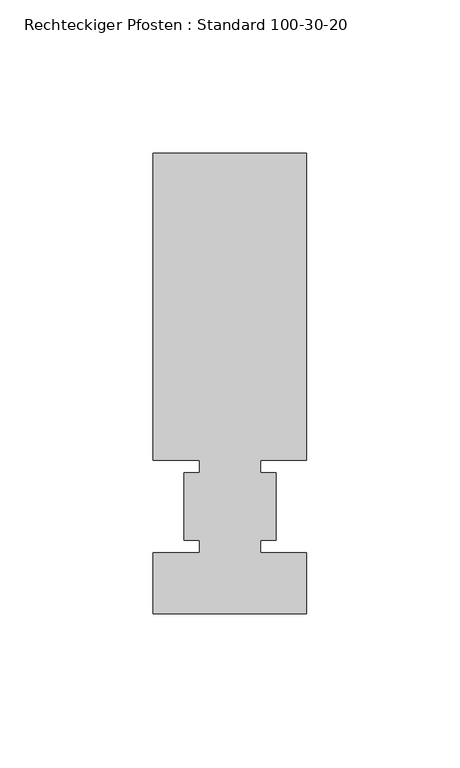
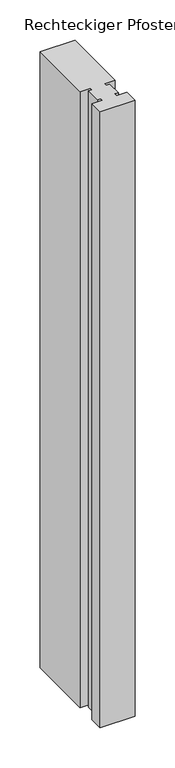
"""IFC4 building model written with IfcOpenShell, lengths in millimetres: member geometry, Rechteckiger Pfosten : Standard 100-30-20."""

from ifc_helpers import new_model, si_unit, frame, origin, place, context, project, spatial, polyline, outline, extrude, source, transform, mapped, element, save


def rechteckiger_pfosten_standard_100_30_20_fb9827cd(model_context):
    return source(origin(), model_context, "Body", "SweptSolid", [
        extrude(outline(polyline([(0.0, 115.0), (0.0, 15.0), (-15.0, 15.0), (-15.0, 11.0), (-10.0, 11.0), (-10.0, -11.0), (-15.0, -11.0), (-15.0, -15.0), (0.0, -15.0), (0.0, -35.0), (-50.0, -35.0), (-50.0, -15.0), (-35.0, -15.0), (-35.0, -11.0), (-40.0, -11.0), (-40.0, 11.0), (-35.0, 11.0), (-35.0, 15.0), (-50.0, 15.0), (-50.0, 115.0), (0.0, 115.0)])), frame((0.0, 0.0, -935.7142859), z_axis=(0.0, 0.0, 1.0), x_axis=(1.0, 0.0, 0.0)), (0.0, 0.0, 1.0), 935.7142859),
    ])


if __name__ == "__main__":
    model = new_model("IFC4")
    model_context = context("Model", 3, world=origin())
    ifc_project = project(units=[si_unit("LENGTHUNIT", "METRE", prefix="MILLI")], contexts=[model_context])
    site = spatial("IfcSite", under=ifc_project)
    building = spatial("IfcBuilding", under=site)
    placement = place(None, origin())
    rechteckiger_pfosten_standard_100_30_20_shape = rechteckiger_pfosten_standard_100_30_20_fb9827cd(model_context)
    element("IfcMember", 1, ObjectType="Rechteckiger Pfosten : Standard 100-30-20", at=placement, inside=building, context=model_context, shape_type="MappedRepresentation", body=[
        mapped(rechteckiger_pfosten_standard_100_30_20_shape, transform((0.0, 0.0, 0.0), x_axis=(1.0, 0.0, 0.0), y_axis=(0.0, 1.0, 0.0), z_axis=(0.0, 0.0, 1.0))),
    ])
    save(model, "model.ifc")
